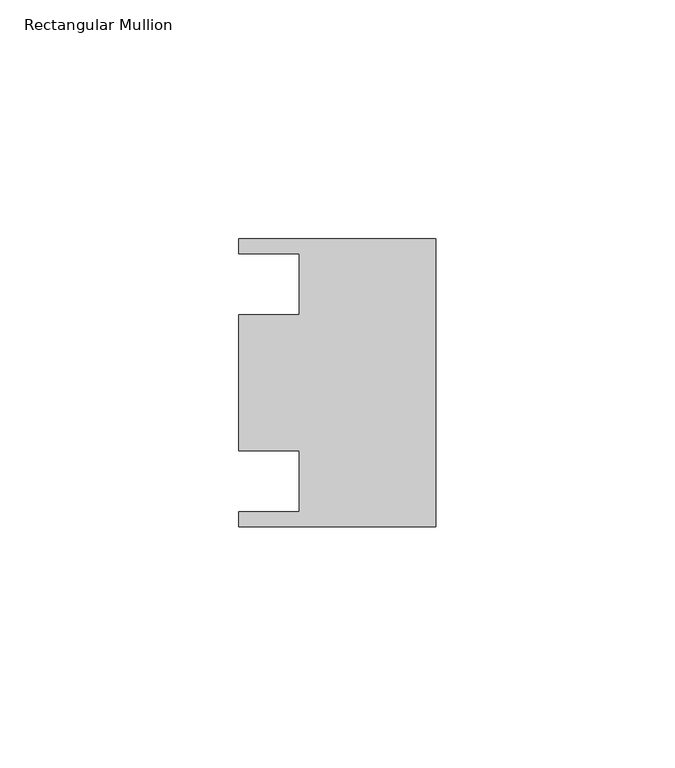
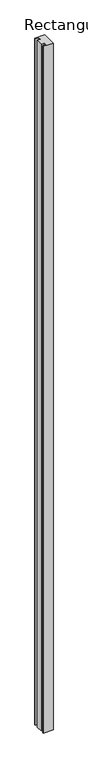
"""IFC4 building model written with IfcOpenShell, lengths in millimetres: member geometry, Rectangular Mullion."""

from ifc_helpers import new_model, si_unit, frame, origin, place, context, project, spatial, polyline, outline, extrude, source, transform, mapped, element, save


def rectangular_mullion_121e0ec3(model_context):
    return source(origin(), model_context, "Body", "SweptSolid", [
        extrude(outline(polyline([(0.0, 30.1625), (0.0, -30.1625), (-41.275, -30.1625), (-41.275, -26.9875), (-28.575, -26.9875), (-28.575, -14.2875), (-41.275, -14.2875), (-41.275, 14.2875), (-28.575, 14.2875), (-28.575, 26.9875), (-41.275, 26.9875), (-41.275, 30.1625), (0.0, 30.1625)])), frame((0.0, 0.0, -3048.0), z_axis=(0.0, 0.0, 1.0), x_axis=(1.0, 0.0, 0.0)), (0.0, 0.0, 1.0), 3048.0),
    ])


if __name__ == "__main__":
    model = new_model("IFC4")
    model_context = context("Model", 3, world=origin())
    ifc_project = project(units=[si_unit("LENGTHUNIT", "METRE", prefix="MILLI")], contexts=[model_context])
    site = spatial("IfcSite", under=ifc_project)
    building = spatial("IfcBuilding", under=site)
    placement = place(None, origin())
    rectangular_mullion_shape = rectangular_mullion_121e0ec3(model_context)
    element("IfcMember", 1, ObjectType="Rectangular Mullion", at=placement, inside=building, context=model_context, shape_type="MappedRepresentation", body=[
        mapped(rectangular_mullion_shape, transform((0.0, 0.0, 0.0), x_axis=(1.0, 0.0, 0.0), y_axis=(0.0, 1.0, 0.0), z_axis=(0.0, 0.0, 1.0))),
    ])
    save(model, "model.ifc")
